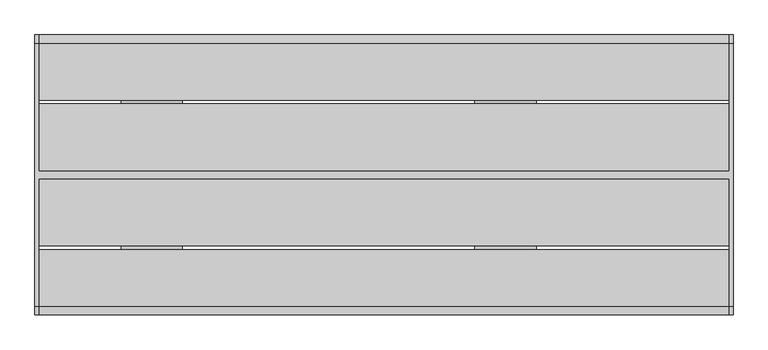
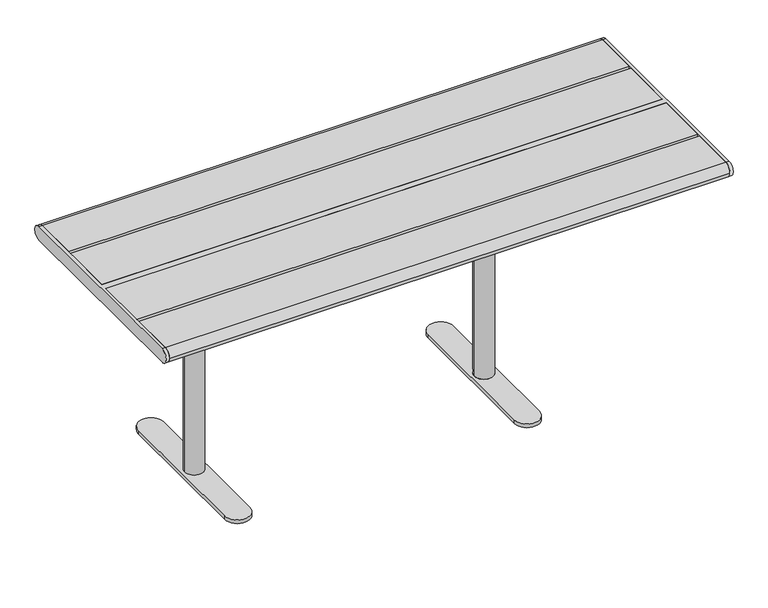
"""IFC4 building model written with IfcOpenShell, lengths in millimetres: furniture geometry."""

from ifc_helpers import new_model, si_unit, point, frame, frame_2d, origin, place, context, project, spatial, polyline, circle_curve, trimmed, segment, composite_curve, outline, extrude, source, transform, mapped, element, save
from ifc_brep_helpers import plane_surface, cylinder_surface, advanced_brep


def furniture_0e32ecab(model_context):
    return source(origin(), model_context, "Body", "SolidModel", [
        advanced_brep(
        [(1043.0, 338.5, 740.0), (1043.0, -338.5, 740.0), (1043.0, -338.5, 695.0), (1043.0, 338.5, 695.0), (1033.0, 338.5, 740.0), (1033.0, 338.5, 695.0), (1033.0, 10.0, 695.0), (1033.0, 10.0, 740.0), (1033.0, -338.5, 695.0), (1033.0, -338.5, 740.0), (1033.0, -10.0, 740.0), (1033.0, -10.0, 695.0), (-747.0, 10.0, 740.0), (-747.0, 338.5, 740.0), (-757.0, 338.5, 740.0), (-757.0, -338.5, 740.0), (-747.0, -338.5, 740.0), (-747.0, -10.0, 740.0), (-747.0, -10.0, 695.0), (-747.0, -338.5, 695.0), (-757.0, -338.5, 695.0), (-757.0, 338.5, 695.0), (-747.0, 338.5, 695.0), (-747.0, 10.0, 695.0)],
        [
            (0, 1),
            (1, 2, circle_curve(frame((1043.0, -338.5, 717.5), z_axis=(1.0, 0.0, 0.0), x_axis=(0.0, -1.0, 0.0)), 22.5)),
            (2, 3),
            (3, 0, circle_curve(frame((1043.0, 338.5, 717.5), z_axis=(1.0, 0.0, 0.0), x_axis=(0.0, -1.0, 0.0)), 22.5)),
            (4, 5, circle_curve(frame((1033.0, 338.5, 717.5), z_axis=(-1.0, 0.0, 0.0), x_axis=(0.0, -1.0, 0.0)), 22.5)),
            (5, 6),
            (6, 7),
            (7, 4),
            (8, 9, circle_curve(frame((1033.0, -338.5, 717.5), z_axis=(-1.0, 0.0, 0.0), x_axis=(0.0, -1.0, 0.0)), 22.5)),
            (9, 10),
            (10, 11),
            (11, 8),
            (0, 4),
            (7, 12),
            (12, 13),
            (13, 14),
            (14, 15),
            (15, 16),
            (16, 17),
            (17, 10),
            (9, 1),
            (8, 2),
            (11, 18),
            (18, 19),
            (19, 20),
            (20, 21),
            (21, 22),
            (22, 23),
            (23, 6),
            (5, 3),
            (17, 18),
            (23, 12),
            (16, 19, circle_curve(frame((-747.0, -338.5, 717.5), z_axis=(1.0, 0.0, 0.0), x_axis=(0.0, -1.0, 0.0)), 22.5)),
            (22, 13, circle_curve(frame((-747.0, 338.5, 717.5), z_axis=(1.0, 0.0, 0.0), x_axis=(0.0, -1.0, 0.0)), 22.5)),
            (14, 21, circle_curve(frame((-757.0, 338.5, 717.5), z_axis=(-1.0, 0.0, 0.0), x_axis=(0.0, -1.0, 0.0)), 22.5)),
            (20, 15, circle_curve(frame((-757.0, -338.5, 717.5), z_axis=(-1.0, 0.0, 0.0), x_axis=(0.0, -1.0, 0.0)), 22.5)),
        ],
        [
            plane_surface(frame((1043.0, -338.5, 740.0), z_axis=(1.0, 0.0, 0.0), x_axis=(0.0, -1.0, 0.0))),
            plane_surface(frame((1033.0, -338.5, 740.0), z_axis=(-1.0, 0.0, 0.0), x_axis=(0.0, 1.0, 0.0))),
            plane_surface(frame((1043.0, 338.5, 740.0), z_axis=(0.0, 0.0, 1.0), x_axis=(-1.0, 0.0, 0.0))),
            cylinder_surface(frame((1033.0, -338.5, 717.5), z_axis=(1.0, 0.0, 0.0), x_axis=(0.0, -1.0, 0.0)), 22.5),
            plane_surface(frame((1043.0, -338.5, 695.0), z_axis=(0.0, 0.0, -1.0), x_axis=(-1.0, 0.0, 0.0))),
            cylinder_surface(frame((1033.0, 338.5, 717.5), z_axis=(1.0, 0.0, 0.0), x_axis=(0.0, -1.0, 0.0)), 22.5),
            plane_surface(frame((1033.0, -10.0, 740.0), z_axis=(0.0, -1.0, 0.0), x_axis=(-1.0, 0.0, 0.0))),
            plane_surface(frame((1033.0, 10.0, 695.0), z_axis=(0.0, 1.0, 0.0), x_axis=(-1.0, 0.0, 0.0))),
            plane_surface(frame((-747.0, -338.5, 740.0), z_axis=(1.0, 0.0, 0.0), x_axis=(0.0, -1.0, 0.0))),
            plane_surface(frame((-757.0, -338.5, 740.0), z_axis=(-1.0, 0.0, 0.0), x_axis=(0.0, 1.0, 0.0))),
            cylinder_surface(frame((-757.0, -338.5, 717.5), z_axis=(1.0, 0.0, 0.0), x_axis=(0.0, -1.0, 0.0)), 22.5),
            cylinder_surface(frame((-757.0, 338.5, 717.5), z_axis=(1.0, 0.0, 0.0), x_axis=(0.0, -1.0, 0.0)), 22.5),
        ],
        [
            (0, [[1, 2, 3, 4]]),
            (1, [[5, 6, 7, 8]]),
            (1, [[9, 10, 11, 12]]),
            (2, [[-1, 13, -8, 14, 15, 16, 17, 18, 19, 20, -10, 21]]),
            (3, [[-2, -21, -9, 22]]),
            (4, [[-3, -22, -12, 23, 24, 25, 26, 27, 28, 29, -6, 30]]),
            (5, [[-4, -30, -5, -13]]),
            (6, [[-20, 31, -23, -11]]),
            (7, [[-29, 32, -14, -7]]),
            (8, [[33, -24, -31, -19]]),
            (8, [[34, -15, -32, -28]]),
            (9, [[35, -26, 36, -17]]),
            (10, [[-33, -18, -36, -25]]),
            (11, [[-34, -27, -35, -16]]),
        ],
    ),
        extrude(outline(composite_curve([segment(trimmed(circle_curve(frame_2d((338.5, 717.5)), 22.5), [point((338.5, 740.0))], [point((338.5, 695.0))], False, "CARTESIAN"), True, "CONTINUOUS"), segment(polyline([(338.5, 695.0), (193.0, 695.0), (193.0, 740.0), (338.5, 740.0)]), True, "CONTINUOUS")], self_intersect=False)), frame((-747.0, 0.0, 0.0), z_axis=(1.0, 0.0, 0.0), x_axis=(0.0, 1.0, 0.0)), (0.0, 0.0, 1.0), 1780.0),
        extrude(outline(composite_curve([segment(polyline([(-193.0, 695.0), (-338.5, 695.0)]), True, "CONTINUOUS"), segment(trimmed(circle_curve(frame_2d((-338.5, 717.5)), 22.5), [point((-338.5, 695.0))], [point((-361.0, 717.5))], False, "CARTESIAN"), True, "CONTINUOUS"), segment(trimmed(circle_curve(frame_2d((-338.5, 717.5)), 22.5), [point((-361.0, 717.5))], [point((-338.5, 740.0))], False, "CARTESIAN"), True, "CONTINUOUS"), segment(polyline([(-338.5, 740.0), (-193.0, 740.0), (-193.0, 695.0)]), True, "CONTINUOUS")], self_intersect=False)), frame((-747.0, 0.0, 0.0), z_axis=(1.0, 0.0, 0.0), x_axis=(0.0, 1.0, 0.0)), (0.0, 0.0, 1.0), 1780.0),
        extrude(outline(polyline([(1033.0, 183.0), (1033.0, 10.0), (-747.0, 10.0), (-747.0, 183.0), (1033.0, 183.0)])), frame((0.0, 0.0, 695.0), z_axis=(0.0, 0.0, 1.0), x_axis=(1.0, 0.0, 0.0)), (0.0, 0.0, 1.0), 45.0),
        extrude(outline(polyline([(1033.0, -10.0), (1033.0, -183.0), (-747.0, -183.0), (-747.0, -10.0), (1033.0, -10.0)])), frame((0.0, 0.0, 695.0), z_axis=(0.0, 0.0, 1.0), x_axis=(1.0, 0.0, 0.0)), (0.0, 0.0, 1.0), 45.0),
        advanced_brep(
        [(534.9914087, 125.0, 687.0), (534.9914087, 299.0, 687.0), (534.9914087, 299.0, 695.0), (534.9914087, -299.0, 695.0), (534.9914087, -299.0, 687.0), (534.9914087, -125.0, 687.0), (534.9914087, -125.0, 679.0), (534.9914087, 125.0, 679.0), (384.9914087, 125.0, 687.0), (384.9914087, 299.0, 687.0), (376.9914087, 299.0, 687.0), (376.9914087, 299.0, 695.0), (376.9914087, -299.0, 695.0), (376.9914087, -299.0, 687.0), (384.9914087, -299.0, 687.0), (384.9914087, -125.0, 687.0), (384.9914087, -125.0, 679.0), (384.9914087, 125.0, 679.0), (489.9914087, 0.0, 679.0), (429.9914087, 0.0, 679.0), (376.9914087, 45.0, 644.0), (376.9914087, -45.0, 644.0), (384.9914087, 45.0, 644.0), (384.9914087, -45.0, 644.0), (429.9914087, 0.0, 27.0), (489.9914087, 0.0, 27.0), (499.9914087, -237.0, 27.0), (499.9914087, 237.0, 27.0), (419.9914087, 237.0, 27.0), (419.9914087, -237.0, 27.0), (499.9914087, -237.0, 15.0), (419.9914087, -237.0, 15.0), (419.9914087, 237.0, 15.0), (499.9914087, 237.0, 15.0), (476.9914087, 237.0, 15.0), (442.9914087, 237.0, 15.0), (476.9914087, -237.0, 15.0), (442.9914087, -237.0, 15.0), (476.9914087, 237.0, 0.0), (442.9914087, 237.0, 0.0), (476.9914087, -237.0, 0.0), (442.9914087, -237.0, 0.0)],
        [
            (0, 1),
            (1, 2),
            (2, 3),
            (3, 4),
            (4, 5),
            (5, 6),
            (6, 7),
            (7, 0),
            (0, 8),
            (8, 9),
            (9, 1),
            (9, 10),
            (10, 11),
            (11, 2),
            (11, 12),
            (12, 3),
            (12, 13),
            (13, 14),
            (14, 4),
            (14, 15),
            (15, 5),
            (15, 16),
            (16, 6),
            (16, 17),
            (17, 7),
            (18, 19, circle_curve(frame((459.9914087, 0.0, 679.0), z_axis=(0.0, 0.0, 1.0), x_axis=(-1.0, 0.0, 0.0)), 30.0)),
            (19, 18, circle_curve(frame((459.9914087, 0.0, 679.0), z_axis=(0.0, 0.0, 1.0), x_axis=(-1.0, 0.0, 0.0)), 30.0)),
            (17, 8),
            (20, 21),
            (21, 13),
            (10, 20),
            (22, 9),
            (14, 23),
            (23, 22),
            (22, 20),
            (21, 23),
            (19, 24),
            (24, 25, circle_curve(frame((459.9914087, 0.0, 27.0), z_axis=(0.0, 0.0, 1.0), x_axis=(-1.0, 0.0, 0.0)), 30.0)),
            (25, 18),
            (25, 24, circle_curve(frame((459.9914087, 0.0, 27.0), z_axis=(0.0, 0.0, 1.0), x_axis=(-1.0, 0.0, 0.0)), 30.0)),
            (26, 27),
            (27, 28, circle_curve(frame((459.9914087, 237.0, 27.0), z_axis=(0.0, 0.0, 1.0), x_axis=(0.0, -1.0, 0.0)), 40.0)),
            (28, 29),
            (29, 26, circle_curve(frame((459.9914087, -237.0, 27.0), z_axis=(0.0, 0.0, 1.0), x_axis=(-1.0, 0.0, 0.0)), 40.0)),
            (30, 31, circle_curve(frame((459.9914087, -237.0, 15.0), z_axis=(0.0, 0.0, -1.0), x_axis=(-1.0, 0.0, 0.0)), 40.0)),
            (31, 32),
            (32, 33, circle_curve(frame((459.9914087, 237.0, 15.0), z_axis=(0.0, 0.0, -1.0), x_axis=(0.0, -1.0, 0.0)), 40.0)),
            (33, 30),
            (34, 35, circle_curve(frame((459.9914087, 237.0, 15.0), z_axis=(0.0, 0.0, 1.0), x_axis=(-1.0, 0.0, 0.0)), 17.0)),
            (35, 34, circle_curve(frame((459.9914087, 237.0, 15.0), z_axis=(0.0, 0.0, 1.0), x_axis=(-1.0, 0.0, 0.0)), 17.0)),
            (36, 37, circle_curve(frame((459.9914087, -237.0, 15.0), z_axis=(0.0, 0.0, 1.0), x_axis=(-1.0, 0.0, 0.0)), 17.0)),
            (37, 36, circle_curve(frame((459.9914087, -237.0, 15.0), z_axis=(0.0, 0.0, 1.0), x_axis=(-1.0, 0.0, 0.0)), 17.0)),
            (38, 39, circle_curve(frame((459.9914087, 237.0, 0.0), z_axis=(0.0, 0.0, -1.0), x_axis=(-1.0, 0.0, 0.0)), 17.0)),
            (39, 38, circle_curve(frame((459.9914087, 237.0, 0.0), z_axis=(0.0, 0.0, -1.0), x_axis=(-1.0, 0.0, 0.0)), 17.0)),
            (40, 41, circle_curve(frame((459.9914087, -237.0, 0.0), z_axis=(0.0, 0.0, -1.0), x_axis=(-1.0, 0.0, 0.0)), 17.0)),
            (41, 40, circle_curve(frame((459.9914087, -237.0, 0.0), z_axis=(0.0, 0.0, -1.0), x_axis=(-1.0, 0.0, 0.0)), 17.0)),
            (29, 31),
            (30, 26),
            (28, 32),
            (27, 33),
            (38, 34),
            (35, 39),
            (40, 36),
            (37, 41),
        ],
        [
            plane_surface(frame((534.9914087, 299.0, 687.0), z_axis=(1.0, 0.0, 0.0), x_axis=(0.0, -1.0, 0.0))),
            plane_surface(frame((384.9914087, 125.0, 687.0), z_axis=(0.0, 0.0, -1.0), x_axis=(1.0, 0.0, 0.0))),
            plane_surface(frame((384.9914087, 299.0, 687.0), z_axis=(0.0, 1.0, 0.0), x_axis=(1.0, 0.0, 0.0))),
            plane_surface(frame((384.9914087, 299.0, 695.0), z_axis=(0.0, 0.0, 1.0), x_axis=(1.0, 0.0, 0.0))),
            plane_surface(frame((384.9914087, -299.0, 695.0), z_axis=(0.0, -1.0, 0.0), x_axis=(1.0, 0.0, 0.0))),
            plane_surface(frame((384.9914087, -299.0, 687.0), z_axis=(0.0, 0.0, -1.0), x_axis=(1.0, 0.0, 0.0))),
            plane_surface(frame((384.9914087, -125.0, 687.0), z_axis=(0.0, -1.0, 0.0), x_axis=(1.0, 0.0, 0.0))),
            plane_surface(frame((384.9914087, -125.0, 679.0), z_axis=(0.0, 0.0, -1.0), x_axis=(1.0, 0.0, 0.0))),
            plane_surface(frame((384.9914087, 125.0, 679.0), z_axis=(0.0, 1.0, 0.0), x_axis=(1.0, 0.0, 0.0))),
            plane_surface(frame((376.9914087, 299.0, 687.0), z_axis=(-1.0, 0.0, 0.0), x_axis=(0.0, 0.9859710587294898, 0.1669163603360949))),
            plane_surface(frame((384.9914087, 299.0, 687.0), z_axis=(1.0, 0.0, 0.0), x_axis=(0.0, -0.9859710587294898, -0.1669163603360949))),
            plane_surface(frame((376.9914087, 45.0, 644.0), z_axis=(0.0, 0.1669163603360949, -0.9859710587294898), x_axis=(1.0, 0.0, 0.0))),
            plane_surface(frame((376.9914087, -299.0, 687.0), z_axis=(0.0, -0.16691636033609472, -0.9859710587294899), x_axis=(1.0, 0.0, 0.0))),
            plane_surface(frame((376.9914087, -45.0, 644.0), z_axis=(0.0, 0.0, -1.0), x_axis=(1.0, 0.0, 0.0))),
            cylinder_surface(frame((459.9914087, 0.0, 27.0), z_axis=(0.0, 0.0, 1.0), x_axis=(-1.0, 0.0, 0.0)), 30.0),
            plane_surface(frame((419.9914087, -237.0, 27.0), z_axis=(0.0, 0.0, 1.0), x_axis=(0.0, 1.0, 0.0))),
            plane_surface(frame((419.9914087, -237.0, 15.0), z_axis=(0.0, 0.0, -1.0), x_axis=(0.0, -1.0, 0.0))),
            plane_surface(frame((442.9914087, 237.0, 0.0), z_axis=(0.0, 0.0, -1.0), x_axis=(0.0, -1.0, 0.0))),
            cylinder_surface(frame((459.9914087, -237.0, 15.0), z_axis=(0.0, 0.0, 1.0), x_axis=(-1.0, 0.0, 0.0)), 40.0),
            plane_surface(frame((419.9914087, -237.0, 27.0), z_axis=(-1.0, 0.0, 0.0), x_axis=(0.0, 0.0, -1.0))),
            cylinder_surface(frame((459.9914087, 237.0, 15.0), z_axis=(0.0, 0.0, 1.0), x_axis=(0.0, -1.0, 0.0)), 40.0),
            plane_surface(frame((499.9914087, 237.0, 27.0), z_axis=(1.0, 0.0, 0.0), x_axis=(0.0, 0.0, -1.0))),
            cylinder_surface(frame((459.9914087, 237.0, 0.0), z_axis=(0.0, 0.0, 1.0), x_axis=(-1.0, 0.0, 0.0)), 17.0),
            cylinder_surface(frame((459.9914087, -237.0, 0.0), z_axis=(0.0, 0.0, 1.0), x_axis=(-1.0, 0.0, 0.0)), 17.0),
        ],
        [
            (0, [[1, 2, 3, 4, 5, 6, 7, 8]]),
            (1, [[9, 10, 11, -1]]),
            (2, [[-11, 12, 13, 14, -2]]),
            (3, [[-14, 15, 16, -3]]),
            (4, [[-16, 17, 18, 19, -4]]),
            (5, [[-19, 20, 21, -5]]),
            (6, [[-21, 22, 23, -6]]),
            (7, [[-23, 24, 25, -7], [26, 27]]),
            (8, [[-25, 28, -9, -8]]),
            (9, [[29, 30, -17, -15, -13, 31]]),
            (10, [[32, -10, -28, -24, -22, -20, 33, 34]]),
            (11, [[-12, -32, 35, -31]]),
            (12, [[36, -33, -18, -30]]),
            (13, [[-35, -34, -36, -29]]),
            (14, [[-27, 37, 38, 39]]),
            (14, [[40, -37, -26, -39]]),
            (15, [[41, 42, 43, 44], [-40, -38]]),
            (16, [[45, 46, 47, 48], [49, 50], [51, 52]]),
            (17, [[53, 54]]),
            (17, [[55, 56]]),
            (18, [[57, -45, 58, -44]]),
            (19, [[59, -46, -57, -43]]),
            (20, [[60, -47, -59, -42]]),
            (21, [[-58, -48, -60, -41]]),
            (22, [[61, -50, 62, -53]]),
            (22, [[-62, -49, -61, -54]]),
            (23, [[63, -52, 64, -55]]),
            (23, [[-64, -51, -63, -56]]),
        ],
    ),
        advanced_brep(
        [(-534.9914087, 125.0, 687.0), (-534.9914087, 125.0, 679.0), (-534.9914087, -125.0, 679.0), (-534.9914087, -125.0, 687.0), (-534.9914087, -299.0, 687.0), (-534.9914087, -299.0, 695.0), (-534.9914087, 299.0, 695.0), (-534.9914087, 299.0, 687.0), (-384.9914087, 299.0, 687.0), (-384.9914087, 125.0, 687.0), (-376.9914087, 299.0, 695.0), (-376.9914087, 299.0, 687.0), (-376.9914087, -299.0, 695.0), (-384.9914087, -299.0, 687.0), (-376.9914087, -299.0, 687.0), (-384.9914087, -125.0, 687.0), (-384.9914087, -125.0, 679.0), (-384.9914087, 125.0, 679.0), (-489.9914087, 0.0, 679.0), (-429.9914087, 0.0, 679.0), (-376.9914087, 45.0, 644.0), (-376.9914087, -45.0, 644.0), (-384.9914087, 45.0, 644.0), (-384.9914087, -45.0, 644.0), (-489.9914087, 0.0, 27.0), (-429.9914087, 0.0, 27.0), (-499.9914087, -237.0, 27.0), (-419.9914087, -237.0, 27.0), (-419.9914087, 237.0, 27.0), (-499.9914087, 237.0, 27.0), (-499.9914087, -237.0, 15.0), (-499.9914087, 237.0, 15.0), (-419.9914087, 237.0, 15.0), (-419.9914087, -237.0, 15.0), (-476.9914087, 237.0, 15.0), (-442.9914087, 237.0, 15.0), (-476.9914087, -237.0, 15.0), (-442.9914087, -237.0, 15.0), (-476.9914087, 237.0, 0.0), (-442.9914087, 237.0, 0.0), (-476.9914087, -237.0, 0.0), (-442.9914087, -237.0, 0.0)],
        [
            (0, 1),
            (1, 2),
            (2, 3),
            (3, 4),
            (4, 5),
            (5, 6),
            (6, 7),
            (7, 0),
            (7, 8),
            (8, 9),
            (9, 0),
            (6, 10),
            (10, 11),
            (11, 8),
            (5, 12),
            (12, 10),
            (4, 13),
            (13, 14),
            (14, 12),
            (3, 15),
            (15, 13),
            (2, 16),
            (16, 15),
            (1, 17),
            (17, 16),
            (18, 19, circle_curve(frame((-459.9914087, 0.0, 679.0), z_axis=(0.0, 0.0, 1.0), x_axis=(1.0, 0.0, 0.0)), 30.0)),
            (19, 18, circle_curve(frame((-459.9914087, 0.0, 679.0), z_axis=(0.0, 0.0, 1.0), x_axis=(1.0, 0.0, 0.0)), 30.0)),
            (9, 17),
            (20, 11),
            (14, 21),
            (21, 20),
            (22, 23),
            (23, 13),
            (8, 22),
            (20, 22),
            (23, 21),
            (18, 24),
            (24, 25, circle_curve(frame((-459.9914087, 0.0, 27.0), z_axis=(0.0, 0.0, 1.0), x_axis=(1.0, 0.0, 0.0)), 30.0)),
            (25, 19),
            (25, 24, circle_curve(frame((-459.9914087, 0.0, 27.0), z_axis=(0.0, 0.0, 1.0), x_axis=(1.0, 0.0, 0.0)), 30.0)),
            (26, 27, circle_curve(frame((-459.9914087, -237.0, 27.0), z_axis=(0.0, 0.0, 1.0), x_axis=(1.0, 0.0, 0.0)), 40.0)),
            (27, 28),
            (28, 29, circle_curve(frame((-459.9914087, 237.0, 27.0), z_axis=(0.0, 0.0, 1.0), x_axis=(0.0, -1.0, 0.0)), 40.0)),
            (29, 26),
            (30, 31),
            (31, 32, circle_curve(frame((-459.9914087, 237.0, 15.0), z_axis=(0.0, 0.0, -1.0), x_axis=(0.0, -1.0, 0.0)), 40.0)),
            (32, 33),
            (33, 30, circle_curve(frame((-459.9914087, -237.0, 15.0), z_axis=(0.0, 0.0, -1.0), x_axis=(1.0, 0.0, 0.0)), 40.0)),
            (34, 35, circle_curve(frame((-459.9914087, 237.0, 15.0), z_axis=(0.0, 0.0, 1.0), x_axis=(1.0, 0.0, 0.0)), 17.0)),
            (35, 34, circle_curve(frame((-459.9914087, 237.0, 15.0), z_axis=(0.0, 0.0, 1.0), x_axis=(1.0, 0.0, 0.0)), 17.0)),
            (36, 37, circle_curve(frame((-459.9914087, -237.0, 15.0), z_axis=(0.0, 0.0, 1.0), x_axis=(1.0, 0.0, 0.0)), 17.0)),
            (37, 36, circle_curve(frame((-459.9914087, -237.0, 15.0), z_axis=(0.0, 0.0, 1.0), x_axis=(1.0, 0.0, 0.0)), 17.0)),
            (38, 39, circle_curve(frame((-459.9914087, 237.0, 0.0), z_axis=(0.0, 0.0, -1.0), x_axis=(1.0, 0.0, 0.0)), 17.0)),
            (39, 38, circle_curve(frame((-459.9914087, 237.0, 0.0), z_axis=(0.0, 0.0, -1.0), x_axis=(1.0, 0.0, 0.0)), 17.0)),
            (40, 41, circle_curve(frame((-459.9914087, -237.0, 0.0), z_axis=(0.0, 0.0, -1.0), x_axis=(1.0, 0.0, 0.0)), 17.0)),
            (41, 40, circle_curve(frame((-459.9914087, -237.0, 0.0), z_axis=(0.0, 0.0, -1.0), x_axis=(1.0, 0.0, 0.0)), 17.0)),
            (26, 30),
            (33, 27),
            (32, 28),
            (31, 29),
            (39, 35),
            (34, 38),
            (41, 37),
            (36, 40),
        ],
        [
            plane_surface(frame((-534.9914087, 299.0, 687.0), z_axis=(-1.0, 0.0, 0.0), x_axis=(0.0, -1.0, 0.0))),
            plane_surface(frame((-384.9914087, 125.0, 687.0), z_axis=(0.0, 0.0, -1.0), x_axis=(-1.0, 0.0, 0.0))),
            plane_surface(frame((-384.9914087, 299.0, 687.0), z_axis=(0.0, 1.0, 0.0), x_axis=(-1.0, 0.0, 0.0))),
            plane_surface(frame((-384.9914087, 299.0, 695.0), z_axis=(0.0, 0.0, 1.0), x_axis=(-1.0, 0.0, 0.0))),
            plane_surface(frame((-384.9914087, -299.0, 695.0), z_axis=(0.0, -1.0, 0.0), x_axis=(-1.0, 0.0, 0.0))),
            plane_surface(frame((-384.9914087, -299.0, 687.0), z_axis=(0.0, 0.0, -1.0), x_axis=(-1.0, 0.0, 0.0))),
            plane_surface(frame((-384.9914087, -125.0, 687.0), z_axis=(0.0, -1.0, 0.0), x_axis=(-1.0, 0.0, 0.0))),
            plane_surface(frame((-384.9914087, -125.0, 679.0), z_axis=(0.0, 0.0, -1.0), x_axis=(-1.0, 0.0, 0.0))),
            plane_surface(frame((-384.9914087, 125.0, 679.0), z_axis=(0.0, 1.0, 0.0), x_axis=(-1.0, 0.0, 0.0))),
            plane_surface(frame((-376.9914087, 299.0, 687.0), z_axis=(1.0, 0.0, 0.0), x_axis=(0.0, 0.9859710587294898, 0.1669163603360949))),
            plane_surface(frame((-384.9914087, 299.0, 687.0), z_axis=(-1.0, 0.0, 0.0), x_axis=(0.0, -0.9859710587294898, -0.1669163603360949))),
            plane_surface(frame((-376.9914087, 45.0, 644.0), z_axis=(0.0, 0.1669163603360949, -0.9859710587294898), x_axis=(-1.0, 0.0, 0.0))),
            plane_surface(frame((-376.9914087, -299.0, 687.0), z_axis=(0.0, -0.16691636033609472, -0.9859710587294899), x_axis=(-1.0, 0.0, 0.0))),
            plane_surface(frame((-376.9914087, -45.0, 644.0), z_axis=(0.0, 0.0, -1.0), x_axis=(-1.0, 0.0, 0.0))),
            cylinder_surface(frame((-459.9914087, 0.0, 27.0), z_axis=(0.0, 0.0, 1.0), x_axis=(1.0, 0.0, 0.0)), 30.0),
            plane_surface(frame((-419.9914087, -237.0, 27.0), z_axis=(0.0, 0.0, 1.0), x_axis=(0.0, 1.0, 0.0))),
            plane_surface(frame((-419.9914087, -237.0, 15.0), z_axis=(0.0, 0.0, -1.0), x_axis=(0.0, -1.0, 0.0))),
            plane_surface(frame((-442.9914087, 237.0, 0.0), z_axis=(0.0, 0.0, -1.0), x_axis=(0.0, -1.0, 0.0))),
            cylinder_surface(frame((-459.9914087, -237.0, 15.0), z_axis=(0.0, 0.0, 1.0), x_axis=(1.0, 0.0, 0.0)), 40.0),
            plane_surface(frame((-419.9914087, -237.0, 27.0), z_axis=(1.0, 0.0, 0.0), x_axis=(0.0, 0.0, -1.0))),
            cylinder_surface(frame((-459.9914087, 237.0, 15.0), z_axis=(0.0, 0.0, 1.0), x_axis=(0.0, -1.0, 0.0)), 40.0),
            plane_surface(frame((-499.9914087, 237.0, 27.0), z_axis=(-1.0, 0.0, 0.0), x_axis=(0.0, 0.0, -1.0))),
            cylinder_surface(frame((-459.9914087, 237.0, 0.0), z_axis=(0.0, 0.0, 1.0), x_axis=(1.0, 0.0, 0.0)), 17.0),
            cylinder_surface(frame((-459.9914087, -237.0, 0.0), z_axis=(0.0, 0.0, 1.0), x_axis=(1.0, 0.0, 0.0)), 17.0),
        ],
        [
            (0, [[1, 2, 3, 4, 5, 6, 7, 8]]),
            (1, [[-8, 9, 10, 11]]),
            (2, [[-7, 12, 13, 14, -9]]),
            (3, [[-6, 15, 16, -12]]),
            (4, [[-5, 17, 18, 19, -15]]),
            (5, [[-4, 20, 21, -17]]),
            (6, [[-3, 22, 23, -20]]),
            (7, [[-2, 24, 25, -22], [26, 27]]),
            (8, [[-1, -11, 28, -24]]),
            (9, [[29, -13, -16, -19, 30, 31]]),
            (10, [[32, 33, -21, -23, -25, -28, -10, 34]]),
            (11, [[-29, 35, -34, -14]]),
            (12, [[-30, -18, -33, 36]]),
            (13, [[-31, -36, -32, -35]]),
            (14, [[37, 38, 39, -26]]),
            (14, [[-37, -27, -39, 40]]),
            (15, [[41, 42, 43, 44], [-38, -40]]),
            (16, [[45, 46, 47, 48], [49, 50], [51, 52]]),
            (17, [[53, 54]]),
            (17, [[55, 56]]),
            (18, [[-41, 57, -48, 58]]),
            (19, [[-42, -58, -47, 59]]),
            (20, [[-43, -59, -46, 60]]),
            (21, [[-44, -60, -45, -57]]),
            (22, [[-54, 61, -49, 62]]),
            (22, [[-53, -62, -50, -61]]),
            (23, [[-56, 63, -51, 64]]),
            (23, [[-55, -64, -52, -63]]),
        ],
    ),
    ])


if __name__ == "__main__":
    model = new_model("IFC4")
    model_context = context("Model", 3, world=origin())
    ifc_project = project(units=[si_unit("LENGTHUNIT", "METRE", prefix="MILLI")], contexts=[model_context])
    site = spatial("IfcSite", under=ifc_project)
    building = spatial("IfcBuilding", under=site)
    placement = place(None, origin())
    furniture_shape = furniture_0e32ecab(model_context)
    element("IfcFurniture", 1, at=placement, inside=building, context=model_context, shape_type="MappedRepresentation", body=[
        mapped(furniture_shape, transform((0.0, 0.0, 0.0), x_axis=(1.0, 0.0, 0.0), y_axis=(0.0, 1.0, 0.0), z_axis=(0.0, 0.0, 1.0))),
    ])
    save(model, "model.ifc")
